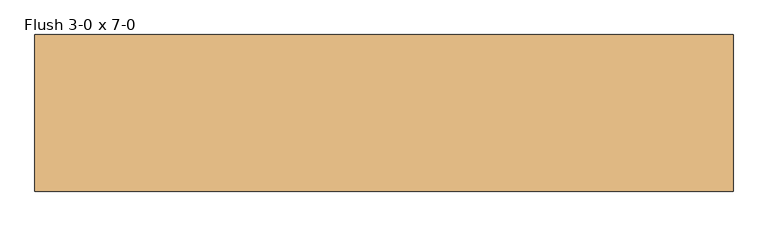
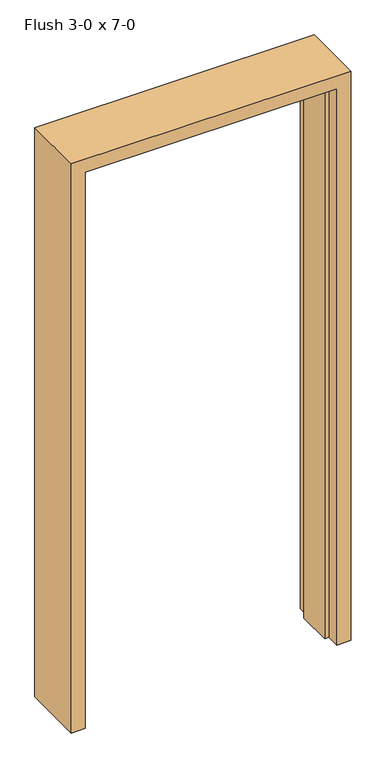
"""IFC4 building model written with IfcOpenShell, lengths in millimetres: door geometry, Flush 3-0 x 7-0."""

from ifc_helpers import new_model, si_unit, frame, origin, place, context, project, spatial, polyline, outline, extrude, source, transform, mapped, element, save


def flush_3_0_x_7_0_5427047a(model_context):
    return source(origin(), model_context, "Body", "SweptSolid", [
        extrude(outline(polyline([(0.0, 441.325), (0.0, 457.2), (2133.6, 457.2), (2133.6, -457.2), (0.0, -457.2), (0.0, -441.325), (2117.725, -441.325), (2117.725, 441.325), (0.0, 441.325)])), frame((0.0, -57.15, 0.0), z_axis=(0.0, 1.0, 0.0), x_axis=(0.0, 0.0, 1.0)), (0.0, 0.0, 1.0), 130.175),
        extrude(outline(polyline([(0.0, 457.2), (0.0, 508.0), (2184.4, 508.0), (2184.4, -508.0), (0.0, -508.0), (0.0, -457.2), (2133.6, -457.2), (2133.6, 457.2), (0.0, 457.2)])), frame((0.0, -106.3625, 0.0), z_axis=(0.0, 1.0, 0.0), x_axis=(0.0, 0.0, 1.0)), (0.0, 0.0, 1.0), 228.6),
    ])


if __name__ == "__main__":
    model = new_model("IFC4")
    model_context = context("Model", 3, world=origin())
    ifc_project = project(units=[si_unit("LENGTHUNIT", "METRE", prefix="MILLI")], contexts=[model_context])
    site = spatial("IfcSite", under=ifc_project)
    building = spatial("IfcBuilding", under=site)
    placement = place(None, origin())
    flush_3_0_x_7_0_shape = flush_3_0_x_7_0_5427047a(model_context)
    element("IfcDoor", 1, ObjectType="Flush 3-0 x 7-0", at=placement, inside=building, context=model_context, shape_type="MappedRepresentation", body=[
        mapped(flush_3_0_x_7_0_shape, transform((0.0, 0.0, 0.0), x_axis=(1.0, 0.0, 0.0), y_axis=(0.0, 1.0, 0.0), z_axis=(0.0, 0.0, 1.0))),
    ])
    save(model, "model.ifc")
